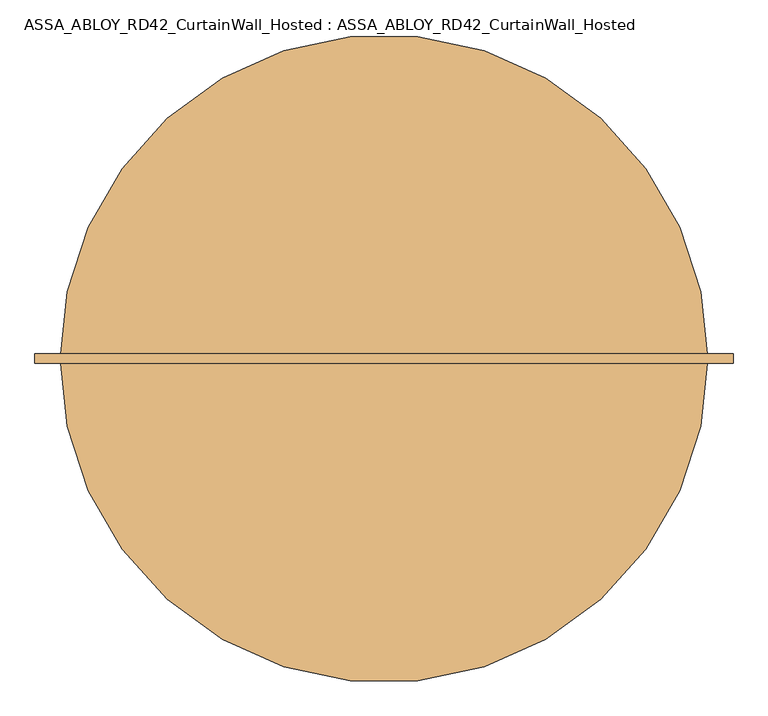
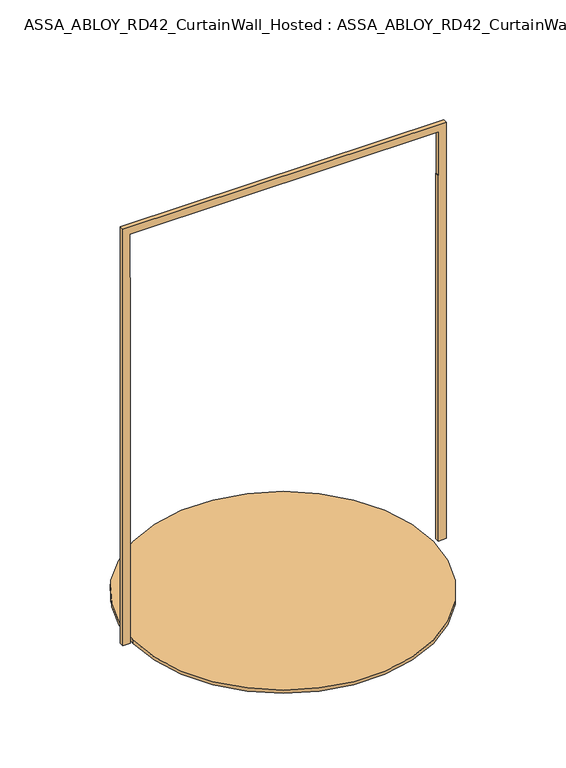
"""IFC4 building model written with IfcOpenShell, lengths in millimetres: door geometry, ASSA_ABLOY_RD42_CurtainWall_Hosted : ASSA_ABLOY_RD42_CurtainWall_Hosted."""

from ifc_helpers import new_model, si_unit, point, frame, origin, origin_2d, place, context, project, spatial, polyline, circle_curve, trimmed, segment, composite_curve, outline, extrude, source, transform, mapped, element, save


def assa_abloy_rd42_curtainwall_hosted_assa_abloy_rd42_ab954435(model_context):
    return source(origin(), model_context, "Body", "SweptSolid", [
        extrude(outline(composite_curve([segment(trimmed(circle_curve(origin_2d(), 971.0), [point((-971.0, 0.0))], [point((971.0, 0.0))], False, "CARTESIAN"), True, "CONTINUOUS"), segment(trimmed(circle_curve(origin_2d(), 971.0), [point((971.0, 0.0))], [point((-971.0, 0.0))], False, "CARTESIAN"), True, "CONTINUOUS")], self_intersect=False)), frame((0.0, 0.0, -22.0), z_axis=(0.0, 0.0, 1.0), x_axis=(1.0, 0.0, 0.0)), (0.0, 0.0, 1.0), 22.0),
        extrude(outline(polyline([(2800.0, 1000.0), (2500.0, 1000.0), (2500.0, 997.0), (0.0, 997.0), (0.0, 1047.0), (2850.0, 1047.0), (2850.0, -1047.0), (0.0, -1047.0), (0.0, -997.0), (2500.0, -997.0), (2500.0, -1000.0), (2800.0, -1000.0), (2800.0, 1000.0)])), frame((0.0, -14.0, 0.0), z_axis=(0.0, 1.0, 0.0), x_axis=(0.0, 0.0, 1.0)), (0.0, 0.0, 1.0), 28.0),
    ])


if __name__ == "__main__":
    model = new_model("IFC4")
    model_context = context("Model", 3, world=origin())
    ifc_project = project(units=[si_unit("LENGTHUNIT", "METRE", prefix="MILLI")], contexts=[model_context])
    site = spatial("IfcSite", under=ifc_project)
    building = spatial("IfcBuilding", under=site)
    placement = place(None, origin())
    assa_abloy_rd42_curtainwall_hosted_assa_abloy_rd42_shape = assa_abloy_rd42_curtainwall_hosted_assa_abloy_rd42_ab954435(model_context)
    element("IfcDoor", 1, ObjectType="ASSA_ABLOY_RD42_CurtainWall_Hosted : ASSA_ABLOY_RD42_CurtainWall_Hosted", at=placement, inside=building, context=model_context, shape_type="MappedRepresentation", body=[
        mapped(assa_abloy_rd42_curtainwall_hosted_assa_abloy_rd42_shape, transform((0.0, 0.0, 0.0), x_axis=(1.0, 0.0, 0.0), y_axis=(0.0, 1.0, 0.0), z_axis=(0.0, 0.0, 1.0))),
    ])
    save(model, "model.ifc")
